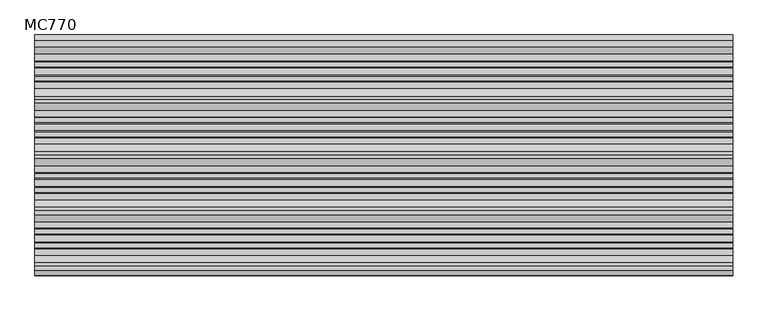
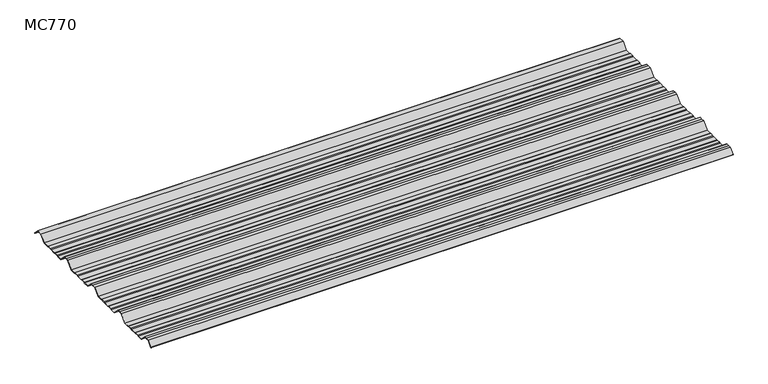
"""IFC4 building model written with IfcOpenShell, lengths in millimetres: beam geometry, MC770."""

from ifc_helpers import new_model, si_unit, point, frame, frame_2d, origin, place, context, project, spatial, polyline, circle_curve, trimmed, segment, composite_curve, outline, extrude, source, transform, mapped, element, save


def mc770_4bcda112(model_context):
    return source(origin(), model_context, "Body", "SweptSolid", [
        extrude(outline(composite_curve([segment(polyline([(-155.0000967, -25.7896475), (-180.574511, 0.2103525), (-192.5, 0.2103525), (-204.425489, 0.2103525), (-229.9999033, -25.7896475), (-252.6975582, -25.7896475), (-255.9126024, -23.7494212), (-272.3405937, -23.7494212), (-276.7209114, -25.7896475), (-300.7790886, -25.7896475), (-305.1594063, -23.7494212), (-321.5873976, -23.7494212), (-324.8024418, -25.7896475), (-347.5000967, -25.7896475), (-373.074511, 0.2103525), (-385.0, 0.2103525), (-396.925489, 0.2103525), (-422.4999033, -25.7896475), (-445.1975582, -25.7896475), (-448.4126024, -23.7494212), (-464.8405937, -23.7494212), (-469.2209114, -25.7896475), (-493.2790886, -25.7896475), (-497.6594063, -23.7494212), (-514.0873976, -23.7494212), (-517.3024418, -25.7896475), (-540.0000967, -25.7896475), (-565.574511, 0.2103525), (-577.5, 0.2103525), (-589.425489, 0.2103525), (-614.9999033, -25.7896475), (-637.6975582, -25.7896475), (-640.9126024, -23.7494212), (-657.3405937, -23.7494212), (-661.7209114, -25.7896475), (-685.7790886, -25.7896475), (-690.1594063, -23.7494212), (-706.5873976, -23.7494212), (-709.8024418, -25.7896475), (-732.5000967, -25.7896475), (-758.074511, 0.2103525), (-770.0, 0.2103525), (-781.925489, 0.2103525), (-801.261749, -19.4476836)]), True, "CONTINUOUS"), segment(trimmed(circle_curve(frame_2d((-801.651258, -19.0516927)), 0.5554513), [point((-801.261749, -19.4476836))], [point((-802.0472489, -18.6621836))], False, "CARTESIAN"), True, "CONTINUOUS"), segment(polyline([(-802.0472489, -18.6621836), (-782.5, 1.2103525), (-770.0, 1.2103525), (-757.5, 1.2103525), (-731.9255858, -24.7896475), (-710.0929563, -24.7896475), (-706.8779121, -22.7494212), (-689.9379428, -22.7494212), (-685.5576251, -24.7896475), (-661.9423749, -24.7896475), (-657.5620572, -22.7494212), (-640.6220879, -22.7494212), (-637.4070437, -24.7896475), (-615.5744142, -24.7896475), (-590.0, 1.2103525), (-577.5, 1.2103525), (-565.0, 1.2103525), (-539.4255858, -24.7896475), (-517.5929563, -24.7896475), (-514.3779121, -22.7494212), (-497.4379428, -22.7494212), (-493.0576251, -24.7896475), (-469.4423749, -24.7896475), (-465.0620572, -22.7494212), (-448.1220879, -22.7494212), (-444.9070437, -24.7896475), (-423.0744142, -24.7896475), (-397.5, 1.2103525), (-385.0, 1.2103525), (-372.5, 1.2103525), (-346.9255858, -24.7896475), (-325.0929563, -24.7896475), (-321.8779121, -22.7494212), (-304.9379428, -22.7494212), (-300.5576251, -24.7896475), (-276.9423749, -24.7896475), (-272.5620572, -22.7494212), (-255.6220879, -22.7494212), (-252.4070437, -24.7896475), (-230.5744142, -24.7896475), (-205.0, 1.2103525), (-192.5, 1.2103525), (-180.0, 1.2103525), (-154.4255858, -24.7896475), (-132.5929563, -24.7896475), (-129.3779121, -22.7494212), (-112.4379428, -22.7494212), (-108.0576251, -24.7896475), (-84.4423749, -24.7896475), (-80.0620572, -22.7494212), (-63.1220879, -22.7494212), (-59.9070437, -24.7896475), (-35.113585, -24.7896475), (-11.5064334, -0.7896475), (11.5064334, -0.7896475), (31.651812, -21.2702668)]), True, "CONTINUOUS"), segment(trimmed(circle_curve(frame_2d((31.295329, -21.6209146)), 0.500034), [point((31.651812, -21.2702668))], [point((30.9446811, -21.9773977))], False, "CARTESIAN"), True, "CONTINUOUS"), segment(polyline([(30.9446811, -21.9773977), (11.0873778, -1.7896475), (-11.0873778, -1.7896475), (-34.6945294, -25.7896475), (-60.1975582, -25.7896475), (-63.4126024, -23.7494212), (-79.8405937, -23.7494212), (-84.2209114, -25.7896475), (-108.2790886, -25.7896475), (-112.6594063, -23.7494212), (-129.0873976, -23.7494212), (-132.3024418, -25.7896475), (-155.0000967, -25.7896475)]), True, "CONTINUOUS")], self_intersect=False)), frame((-1208.6129667, 0.0, 0.0), z_axis=(1.0, 0.0, 0.0), x_axis=(0.0, 1.0, 0.0)), (0.0, 0.0, 1.0), 2417.2259335),
    ])


if __name__ == "__main__":
    model = new_model("IFC4")
    model_context = context("Model", 3, world=origin())
    ifc_project = project(units=[si_unit("LENGTHUNIT", "METRE", prefix="MILLI")], contexts=[model_context])
    site = spatial("IfcSite", under=ifc_project)
    building = spatial("IfcBuilding", under=site)
    placement = place(None, origin())
    mc770_shape = mc770_4bcda112(model_context)
    element("IfcBeam", 1, ObjectType="MC770", at=placement, inside=building, context=model_context, shape_type="MappedRepresentation", body=[
        mapped(mc770_shape, transform((0.0, 0.0, 0.0), x_axis=(1.0, 0.0, 0.0), y_axis=(0.0, 1.0, 0.0), z_axis=(0.0, 0.0, 1.0))),
    ])
    save(model, "model.ifc")
